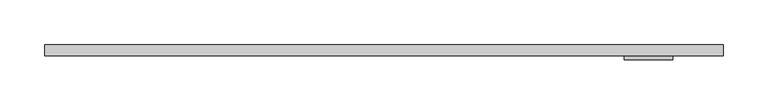
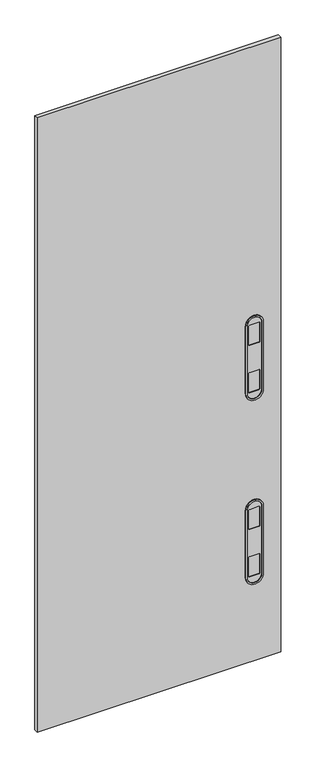
"""IFC4 building model written with IfcOpenShell, lengths in millimetres: furniture geometry."""

from ifc_helpers import new_model, si_unit, point, frame, frame_2d, origin, place, context, project, spatial, polyline, circle_curve, trimmed, segment, composite_curve, outline, extrude, source, transform, mapped, element, save


def furniture_25bda5d6(model_context):
    return source(origin(), model_context, "Body", "SweptSolid", [
        extrude(outline(polyline([(762.0, -50.8000015), (0.0, -50.8000015), (0.0, -38.1), (762.0, -38.1), (762.0, -50.8000015)])), frame((0.0, 0.0, 139.700003), z_axis=(0.0, 0.0, 1.0), x_axis=(1.0, 0.0, 0.0)), (0.0, 0.0, 1.0), 2031.999997),
        extrude(outline(composite_curve([segment(polyline([(1031.0794368, 699.8462036), (1255.1144752, 699.8462036)]), True, "CONTINUOUS"), segment(trimmed(circle_curve(frame_2d((1255.1144752, 677.6720055)), 22.1741981), [point((1255.1144752, 699.8462036))], [point((1255.1144752, 655.4978074))], False, "CARTESIAN"), True, "CONTINUOUS"), segment(polyline([(1255.1144752, 655.4978074), (1031.0794368, 655.4978074)]), True, "CONTINUOUS"), segment(trimmed(circle_curve(frame_2d((1031.0794368, 677.6720055)), 22.1741981), [point((1031.0794368, 655.4978074))], [point((1031.0794368, 699.8462036))], False, "CARTESIAN"), True, "CONTINUOUS")], self_intersect=False), holes=[composite_curve([segment(trimmed(circle_curve(frame_2d((1095.25613, 692.2770118)), 2.54), [point((1097.79613, 692.2770118))], [point((1095.25613, 694.8170118))], True, "CARTESIAN"), True, "CONTINUOUS"), segment(polyline([(1095.25613, 694.8170118), (1034.7140817, 694.8170118)]), True, "CONTINUOUS"), segment(trimmed(circle_curve(frame_2d((1034.7140817, 692.2770118)), 2.54), [point((1034.7140817, 694.8170118))], [point((1032.1740817, 692.2770118))], True, "CARTESIAN"), True, "CONTINUOUS"), segment(polyline([(1032.1740817, 692.2770118), (1032.1740817, 663.0670082)]), True, "CONTINUOUS"), segment(trimmed(circle_curve(frame_2d((1034.7140817, 663.0670082)), 2.54), [point((1032.1740817, 663.0670082))], [point((1034.7140817, 660.5270082))], True, "CARTESIAN"), True, "CONTINUOUS"), segment(polyline([(1034.7140817, 660.5270082), (1095.25613, 660.5270082)]), True, "CONTINUOUS"), segment(trimmed(circle_curve(frame_2d((1095.25613, 663.0670082)), 2.54), [point((1095.25613, 660.5270082))], [point((1097.79613, 663.0670082))], True, "CARTESIAN"), True, "CONTINUOUS"), segment(polyline([(1097.79613, 663.0670082), (1097.79613, 692.2770118)]), True, "CONTINUOUS")], self_intersect=False), composite_curve([segment(trimmed(circle_curve(frame_2d((1251.7940315, 692.2770118)), 2.54), [point((1254.3340315, 692.2770118))], [point((1251.7940315, 694.8170118))], True, "CARTESIAN"), True, "CONTINUOUS"), segment(polyline([(1251.7940315, 694.8170118), (1191.2519832, 694.8170118)]), True, "CONTINUOUS"), segment(trimmed(circle_curve(frame_2d((1191.2519832, 692.2770118)), 2.54), [point((1191.2519832, 694.8170118))], [point((1188.7119832, 692.2770118))], True, "CARTESIAN"), True, "CONTINUOUS"), segment(polyline([(1188.7119832, 692.2770118), (1188.7119832, 663.0670082)]), True, "CONTINUOUS"), segment(trimmed(circle_curve(frame_2d((1191.2519832, 663.0670082)), 2.54), [point((1188.7119832, 663.0670082))], [point((1191.2519832, 660.5270082))], True, "CARTESIAN"), True, "CONTINUOUS"), segment(polyline([(1191.2519832, 660.5270082), (1251.7940315, 660.5270082)]), True, "CONTINUOUS"), segment(trimmed(circle_curve(frame_2d((1251.7940315, 663.0670082)), 2.54), [point((1251.7940315, 660.5270082))], [point((1254.3340315, 663.0670082))], True, "CARTESIAN"), True, "CONTINUOUS"), segment(polyline([(1254.3340315, 663.0670082), (1254.3340315, 692.2770118)]), True, "CONTINUOUS")], self_intersect=False)]), frame((0.0, -52.8320015, 0.0), z_axis=(0.0, 1.0, 0.0), x_axis=(0.0, 0.0, 1.0)), (0.0, 0.0, 1.0), 2.032),
        extrude(outline(composite_curve([segment(trimmed(circle_curve(frame_2d((1255.1144752, 677.6720055)), 27.2541981), [point((1255.1144752, 704.9262036))], [point((1255.1144752, 650.4178074))], False, "CARTESIAN"), True, "CONTINUOUS"), segment(polyline([(1255.1144752, 650.4178074), (1031.0794368, 650.4178074)]), True, "CONTINUOUS"), segment(trimmed(circle_curve(frame_2d((1031.0794368, 677.6720055)), 27.2541981), [point((1031.0794368, 650.4178074))], [point((1031.0794368, 704.9262036))], False, "CARTESIAN"), True, "CONTINUOUS"), segment(polyline([(1031.0794368, 704.9262036), (1255.1144752, 704.9262036)]), True, "CONTINUOUS")], self_intersect=False), holes=[composite_curve([segment(polyline([(1255.1144752, 699.8462036), (1031.0794368, 699.8462036)]), True, "CONTINUOUS"), segment(trimmed(circle_curve(frame_2d((1031.0794368, 677.6720055)), 22.1741981), [point((1031.0794368, 699.8462036))], [point((1031.0794368, 655.4978074))], True, "CARTESIAN"), True, "CONTINUOUS"), segment(polyline([(1031.0794368, 655.4978074), (1255.1144752, 655.4978074)]), True, "CONTINUOUS"), segment(trimmed(circle_curve(frame_2d((1255.1144752, 677.6720055)), 22.1741981), [point((1255.1144752, 655.4978074))], [point((1255.1144752, 699.8462036))], True, "CARTESIAN"), True, "CONTINUOUS")], self_intersect=False)]), frame((0.0, -55.1180015, 0.0), z_axis=(0.0, 1.0, 0.0), x_axis=(0.0, 0.0, 1.0)), (0.0, 0.0, 1.0), 4.318),
        extrude(outline(composite_curve([segment(polyline([(422.2598556, 699.8462036), (646.294894, 699.8462036)]), True, "CONTINUOUS"), segment(trimmed(circle_curve(frame_2d((646.294894, 677.6720055)), 22.1741981), [point((646.294894, 699.8462036))], [point((646.294894, 655.4978074))], False, "CARTESIAN"), True, "CONTINUOUS"), segment(polyline([(646.294894, 655.4978074), (422.2598556, 655.4978074)]), True, "CONTINUOUS"), segment(trimmed(circle_curve(frame_2d((422.2598556, 677.6720055)), 22.1741981), [point((422.2598556, 655.4978074))], [point((422.2598556, 699.8462036))], False, "CARTESIAN"), True, "CONTINUOUS")], self_intersect=False), holes=[composite_curve([segment(trimmed(circle_curve(frame_2d((486.4365488, 692.2770118)), 2.54), [point((488.9765488, 692.2770118))], [point((486.4365488, 694.8170118))], True, "CARTESIAN"), True, "CONTINUOUS"), segment(polyline([(486.4365488, 694.8170118), (425.8945005, 694.8170118)]), True, "CONTINUOUS"), segment(trimmed(circle_curve(frame_2d((425.8945005, 692.2770118)), 2.54), [point((425.8945005, 694.8170118))], [point((423.3545005, 692.2770118))], True, "CARTESIAN"), True, "CONTINUOUS"), segment(polyline([(423.3545005, 692.2770118), (423.3545005, 663.0670082)]), True, "CONTINUOUS"), segment(trimmed(circle_curve(frame_2d((425.8945005, 663.0670082)), 2.54), [point((423.3545005, 663.0670082))], [point((425.8945005, 660.5270082))], True, "CARTESIAN"), True, "CONTINUOUS"), segment(polyline([(425.8945005, 660.5270082), (486.4365488, 660.5270082)]), True, "CONTINUOUS"), segment(trimmed(circle_curve(frame_2d((486.4365488, 663.0670082)), 2.54), [point((486.4365488, 660.5270082))], [point((488.9765488, 663.0670082))], True, "CARTESIAN"), True, "CONTINUOUS"), segment(polyline([(488.9765488, 663.0670082), (488.9765488, 692.2770118)]), True, "CONTINUOUS")], self_intersect=False), composite_curve([segment(trimmed(circle_curve(frame_2d((642.9744503, 692.2770118)), 2.54), [point((645.5144503, 692.2770118))], [point((642.9744503, 694.8170118))], True, "CARTESIAN"), True, "CONTINUOUS"), segment(polyline([(642.9744503, 694.8170118), (582.432402, 694.8170118)]), True, "CONTINUOUS"), segment(trimmed(circle_curve(frame_2d((582.432402, 692.2770118)), 2.54), [point((582.432402, 694.8170118))], [point((579.892402, 692.2770118))], True, "CARTESIAN"), True, "CONTINUOUS"), segment(polyline([(579.892402, 692.2770118), (579.892402, 663.0670082)]), True, "CONTINUOUS"), segment(trimmed(circle_curve(frame_2d((582.432402, 663.0670082)), 2.54), [point((579.892402, 663.0670082))], [point((582.432402, 660.5270082))], True, "CARTESIAN"), True, "CONTINUOUS"), segment(polyline([(582.432402, 660.5270082), (642.9744503, 660.5270082)]), True, "CONTINUOUS"), segment(trimmed(circle_curve(frame_2d((642.9744503, 663.0670082)), 2.54), [point((642.9744503, 660.5270082))], [point((645.5144503, 663.0670082))], True, "CARTESIAN"), True, "CONTINUOUS"), segment(polyline([(645.5144503, 663.0670082), (645.5144503, 692.2770118)]), True, "CONTINUOUS")], self_intersect=False)]), frame((0.0, -52.8320015, 0.0), z_axis=(0.0, 1.0, 0.0), x_axis=(0.0, 0.0, 1.0)), (0.0, 0.0, 1.0), 2.032),
        extrude(outline(composite_curve([segment(trimmed(circle_curve(frame_2d((646.294894, 677.6720055)), 27.2541981), [point((646.294894, 704.9262036))], [point((646.294894, 650.4178074))], False, "CARTESIAN"), True, "CONTINUOUS"), segment(polyline([(646.294894, 650.4178074), (422.2598556, 650.4178074)]), True, "CONTINUOUS"), segment(trimmed(circle_curve(frame_2d((422.2598556, 677.6720055)), 27.2541981), [point((422.2598556, 650.4178074))], [point((422.2598556, 704.9262036))], False, "CARTESIAN"), True, "CONTINUOUS"), segment(polyline([(422.2598556, 704.9262036), (646.294894, 704.9262036)]), True, "CONTINUOUS")], self_intersect=False), holes=[composite_curve([segment(polyline([(646.294894, 699.8462036), (422.2598556, 699.8462036)]), True, "CONTINUOUS"), segment(trimmed(circle_curve(frame_2d((422.2598556, 677.6720055)), 22.1741981), [point((422.2598556, 699.8462036))], [point((422.2598556, 655.4978074))], True, "CARTESIAN"), True, "CONTINUOUS"), segment(polyline([(422.2598556, 655.4978074), (646.294894, 655.4978074)]), True, "CONTINUOUS"), segment(trimmed(circle_curve(frame_2d((646.294894, 677.6720055)), 22.1741981), [point((646.294894, 655.4978074))], [point((646.294894, 699.8462036))], True, "CARTESIAN"), True, "CONTINUOUS")], self_intersect=False)]), frame((0.0, -55.1180015, 0.0), z_axis=(0.0, 1.0, 0.0), x_axis=(0.0, 0.0, 1.0)), (0.0, 0.0, 1.0), 4.318),
    ])


if __name__ == "__main__":
    model = new_model("IFC4")
    model_context = context("Model", 3, world=origin())
    ifc_project = project(units=[si_unit("LENGTHUNIT", "METRE", prefix="MILLI")], contexts=[model_context])
    site = spatial("IfcSite", under=ifc_project)
    building = spatial("IfcBuilding", under=site)
    placement = place(None, origin())
    furniture_shape = furniture_25bda5d6(model_context)
    element("IfcFurniture", 1, at=placement, inside=building, context=model_context, shape_type="MappedRepresentation", body=[
        mapped(furniture_shape, transform((0.0, 0.0, 0.0), x_axis=(1.0, 0.0, 0.0), y_axis=(0.0, 1.0, 0.0), z_axis=(0.0, 0.0, 1.0))),
    ])
    save(model, "model.ifc")
